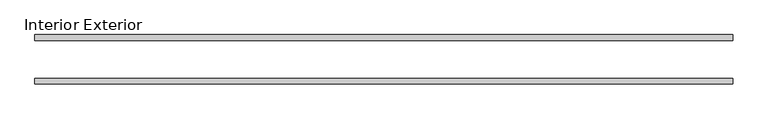
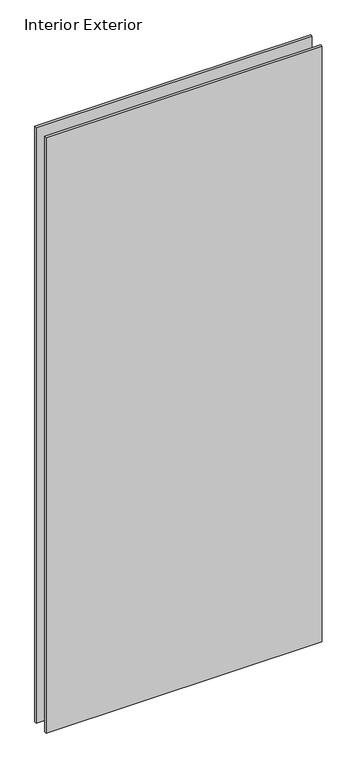
"""IFC4 building model written with IfcOpenShell, lengths in millimetres: plate geometry, Interior Exterior."""

from ifc_helpers import new_model, si_unit, frame, origin, place, context, project, spatial, polyline, outline, extrude, source, transform, mapped, element, save


def interior_exterior_2fb70fb4(model_context):
    return source(origin(), model_context, "Body", "SweptSolid", [
        extrude(outline(polyline([(592.1375, -41.275), (-576.2625, -41.275), (-576.2625, -31.75), (592.1375, -31.75), (592.1375, -41.275)])), frame((0.0, 0.0, -25.4), z_axis=(0.0, 0.0, 1.0), x_axis=(1.0, 0.0, 0.0)), (0.0, 0.0, 1.0), 2663.825),
        extrude(outline(polyline([(592.1375, 41.275), (592.1375, 31.75), (-576.2625, 31.75), (-576.2625, 41.275), (592.1375, 41.275)])), frame((0.0, 0.0, -25.4), z_axis=(0.0, 0.0, 1.0), x_axis=(1.0, 0.0, 0.0)), (0.0, 0.0, 1.0), 2663.825),
    ])


if __name__ == "__main__":
    model = new_model("IFC4")
    model_context = context("Model", 3, world=origin())
    ifc_project = project(units=[si_unit("LENGTHUNIT", "METRE", prefix="MILLI")], contexts=[model_context])
    site = spatial("IfcSite", under=ifc_project)
    building = spatial("IfcBuilding", under=site)
    placement = place(None, origin())
    interior_exterior_shape = interior_exterior_2fb70fb4(model_context)
    element("IfcPlate", 1, ObjectType="Interior Exterior", at=placement, inside=building, context=model_context, shape_type="MappedRepresentation", body=[
        mapped(interior_exterior_shape, transform((0.0, 0.0, 0.0), x_axis=(1.0, 0.0, 0.0), y_axis=(0.0, 1.0, 0.0), z_axis=(0.0, 0.0, 1.0))),
    ])
    save(model, "model.ifc")
